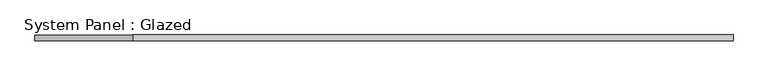
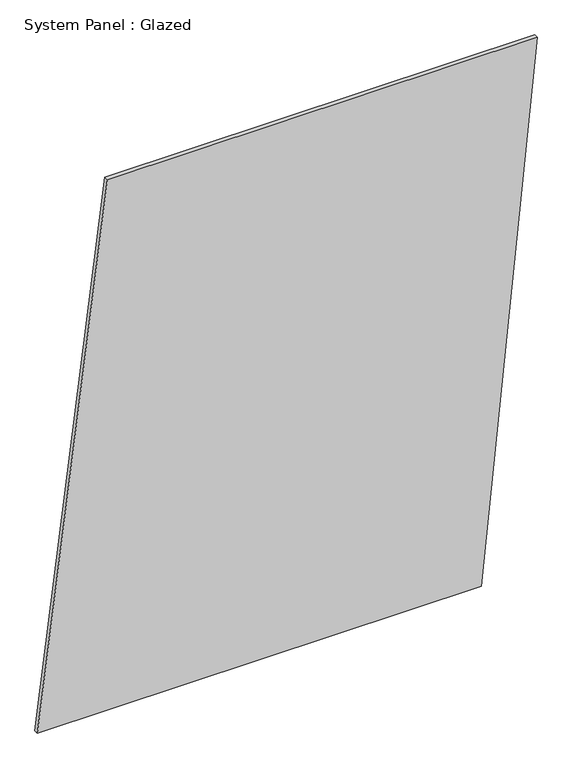
"""IFC4 building model written with IfcOpenShell, lengths in millimetres: plate geometry, System Panel : Glazed."""

from ifc_helpers import new_model, si_unit, frame, origin, place, context, project, spatial, polyline, outline, extrude, source, transform, mapped, element, save


def system_panel_glazed_2a7a33f2(model_context):
    return source(origin(), model_context, "Body", "SweptSolid", [
        extrude(outline(polyline([(0.0, -1489.224236), (0.0, 1155.4012875), (3341.5508959, 1489.224236), (3341.5508959, -1071.9455504), (0.0, -1489.224236)])), frame((0.0, -49.5, 0.0), z_axis=(0.0, 1.0, 0.0), x_axis=(0.0, 0.0, 1.0)), (0.0, 0.0, 1.0), 25.0),
    ])


if __name__ == "__main__":
    model = new_model("IFC4")
    model_context = context("Model", 3, world=origin())
    ifc_project = project(units=[si_unit("LENGTHUNIT", "METRE", prefix="MILLI")], contexts=[model_context])
    site = spatial("IfcSite", under=ifc_project)
    building = spatial("IfcBuilding", under=site)
    placement = place(None, origin())
    system_panel_glazed_shape = system_panel_glazed_2a7a33f2(model_context)
    element("IfcPlate", 1, ObjectType="System Panel : Glazed", at=placement, inside=building, context=model_context, shape_type="MappedRepresentation", body=[
        mapped(system_panel_glazed_shape, transform((0.0, 0.0, 0.0), x_axis=(1.0, 0.0, 0.0), y_axis=(0.0, 1.0, 0.0), z_axis=(0.0, 0.0, 1.0))),
    ])
    save(model, "model.ifc")
